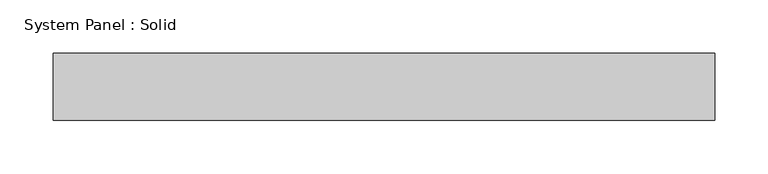
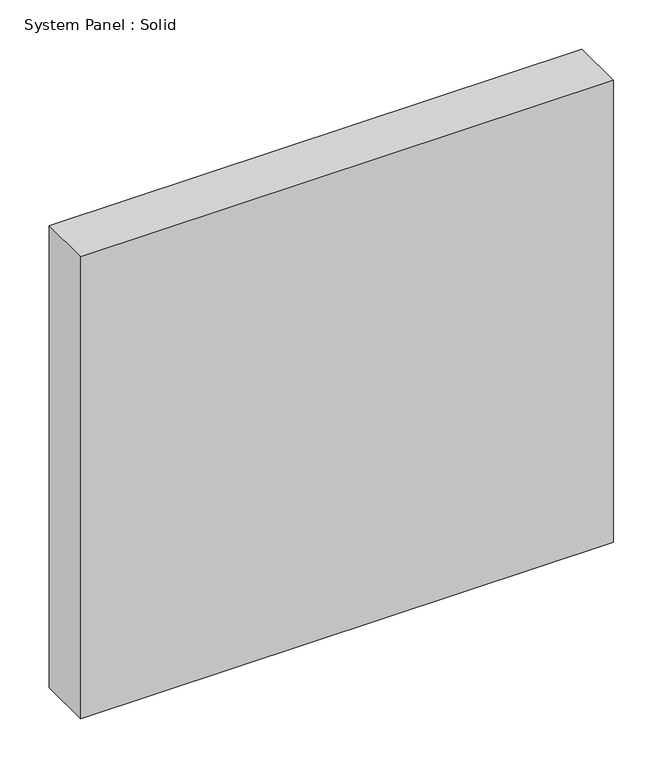
"""IFC4 building model written with IfcOpenShell, lengths in millimetres: plate geometry, System Panel : Solid."""

from ifc_helpers import new_model, si_unit, origin, origin_with_axes, place, context, project, spatial, polyline, outline, extrude, source, transform, mapped, element, save


def system_panel_solid_6781b3c0(model_context):
    return source(origin(), model_context, "Body", "SweptSolid", [
        extrude(outline(polyline([(312.082211, -19.05), (-312.082211, -19.05), (-312.082211, 44.45), (312.082211, 44.45), (312.082211, -19.05)])), origin_with_axes(), (0.0, 0.0, 1.0), 571.5),
    ])


if __name__ == "__main__":
    model = new_model("IFC4")
    model_context = context("Model", 3, world=origin())
    ifc_project = project(units=[si_unit("LENGTHUNIT", "METRE", prefix="MILLI")], contexts=[model_context])
    site = spatial("IfcSite", under=ifc_project)
    building = spatial("IfcBuilding", under=site)
    placement = place(None, origin())
    system_panel_solid_shape = system_panel_solid_6781b3c0(model_context)
    element("IfcPlate", 1, ObjectType="System Panel : Solid", at=placement, inside=building, context=model_context, shape_type="MappedRepresentation", body=[
        mapped(system_panel_solid_shape, transform((0.0, 0.0, 0.0), x_axis=(1.0, 0.0, 0.0), y_axis=(0.0, 1.0, 0.0), z_axis=(0.0, 0.0, 1.0))),
    ])
    save(model, "model.ifc")
